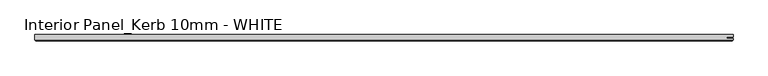
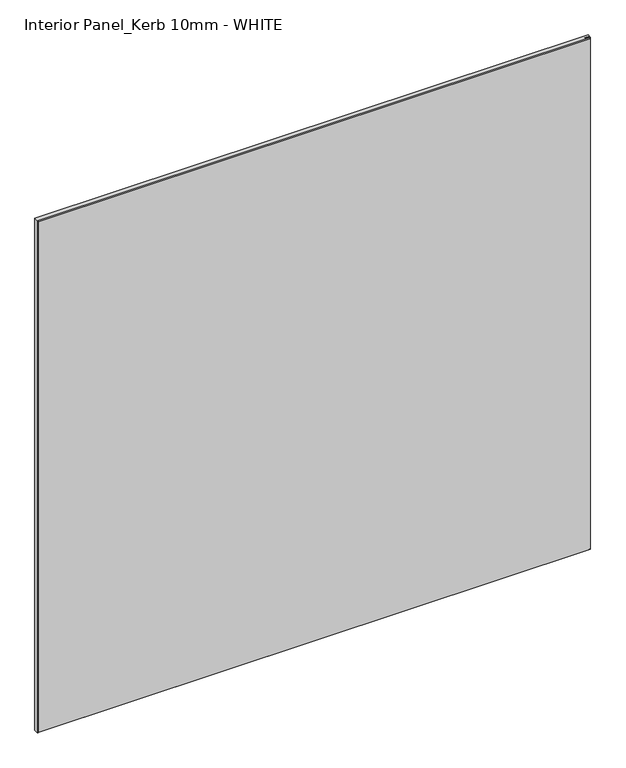
"""IFC4 building model written with IfcOpenShell, lengths in millimetres: proxy geometry, Interior Panel_Kerb 10mm - WHITE."""

from ifc_helpers import new_model, si_unit, origin, place, context, project, spatial, faceted_brep, source, transform, mapped, element, save


def interior_panel_kerb_10mm_white_4bc158ef(model_context):
    return source(origin(), model_context, "Body", "Brep", [
        faceted_brep([(992.1875, 3.175, 1041.4), (-73.025, 3.175, 1041.4), (-73.025, -4.7625, 1041.4), (992.1875, -4.7625, 1041.4), (992.1875, -2.6543, 1041.4), (982.3648437, -2.6543, 1041.4), (982.3648437, -0.5207, 1041.4), (992.1875, -0.5207, 1041.4), (992.1875, 3.175, 0.0), (992.1875, -0.5207, 0.0), (982.3648437, -0.5207, 0.0), (982.3648437, -2.6543, 0.0), (992.1875, -2.6543, 0.0), (992.1875, -4.7625, 0.0), (-73.025, -4.7625, 0.0), (-73.025, 3.175, 0.0), (-71.4375, -6.35, 1039.8125), (-71.4375, -6.35, 1.5875), (990.6, -6.35, 1.5875), (990.6, -6.35, 1039.8125)], [[[0, 1, 2, 3, 4, 5, 6, 7]], [[8, 9, 10, 11, 12, 13, 14, 15]], [[1, 0, 8, 15]], [[2, 1, 15, 14]], [[16, 17, 18, 19]], [[4, 3, 13, 12]], [[2, 14, 17, 16]], [[13, 3, 19, 18]], [[3, 2, 16, 19]], [[14, 13, 18, 17]], [[5, 4, 12, 11]], [[6, 5, 11, 10]], [[7, 6, 10, 9]], [[0, 7, 9, 8]]]),
    ])


if __name__ == "__main__":
    model = new_model("IFC4")
    model_context = context("Model", 3, world=origin())
    ifc_project = project(units=[si_unit("LENGTHUNIT", "METRE", prefix="MILLI")], contexts=[model_context])
    site = spatial("IfcSite", under=ifc_project)
    building = spatial("IfcBuilding", under=site)
    placement = place(None, origin())
    interior_panel_kerb_10mm_white_shape = interior_panel_kerb_10mm_white_4bc158ef(model_context)
    element("IfcBuildingElementProxy", 1, Name="Interior Panel_Kerb 10mm - WHITE", ObjectType="Interior Panel_Kerb 10mm - WHITE", at=placement, inside=building, context=model_context, shape_type="MappedRepresentation", body=[
        mapped(interior_panel_kerb_10mm_white_shape, transform((0.0, 0.0, 0.0), x_axis=(1.0, 0.0, 0.0), y_axis=(0.0, 1.0, 0.0), z_axis=(0.0, 0.0, 1.0))),
    ])
    save(model, "model.ifc")
